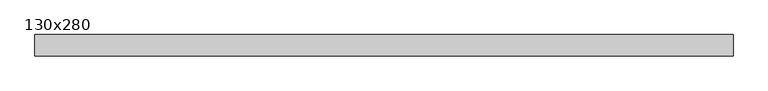
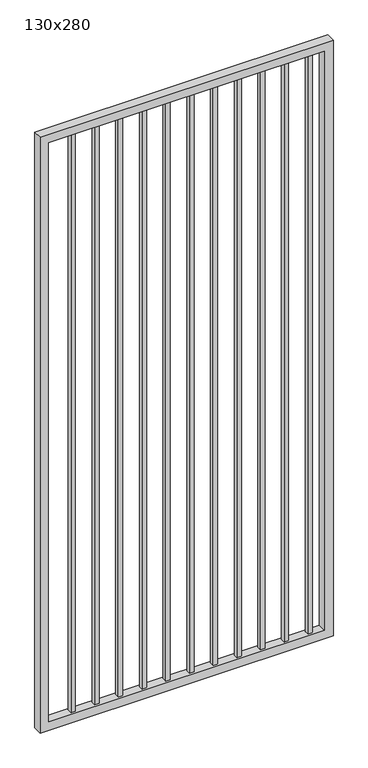
"""IFC4 building model written with IfcOpenShell, lengths in millimetres: proxy geometry, 130x280."""

import ifcopenshell
import ifcopenshell.guid

model = None  # the IFC model being written
_history = None  # IfcOwnerHistory: only IFC2X3 demands one
_inside = {}  # id of a spatial element -> (the spatial element, [elements in it])
_under = {}  # id of a project, library or spatial element -> (it, [spatial elements below it])
_declared = {}  # id of a project -> (the project, [libraries it declares])
_typed = {}  # id of a type object -> (the type object, [elements of that type])
_made_of = {}  # id of a material, layer set ... -> (it, [elements and type objects made of it])


def new_model(schema):
    """Start an empty IFC model of exactly this schema.

    Asked for "IFC4X3", IfcOpenShell would pick the latest addendum, in which some entities
    have other attributes; the version numbers below select the first issue.
    IFC2X3 requires an IfcOwnerHistory on every rooted entity: one is made here for all.
    """
    global model, _history
    if schema == "IFC4X3":
        model = ifcopenshell.file(schema_version=(4, 3, 0, 0))
    else:
        model = ifcopenshell.file(schema=schema)
    _inside.clear()
    _under.clear()
    _declared.clear()
    _typed.clear()
    _made_of.clear()
    _history = None
    if model.schema == "IFC2X3":
        org = make("IfcOrganization", Name="unknown")
        user = make(
            "IfcPersonAndOrganization",
            ThePerson=make("IfcPerson", FamilyName="unknown"),
            TheOrganization=org,
        )
        app = make(
            "IfcApplication",
            ApplicationDeveloper=org,
            Version="unknown",
            ApplicationFullName="unknown",
            ApplicationIdentifier="unknown",
        )
        _history = make(
            "IfcOwnerHistory",
            OwningUser=user,
            OwningApplication=app,
            ChangeAction="ADDED",
            CreationDate=0,
        )
    return model


def make(cls, **values):
    """One entity of the class cls with the attributes given. An attribute that is None is left unset."""
    return model.create_entity(
        cls, **{name: value for name, value in values.items() if value is not None}
    )


def rooted(cls, **values):
    """An entity with a GlobalId (a new one), such as an element, a storey or a relation."""
    return make(cls, GlobalId=ifcopenshell.guid.new(), OwnerHistory=_history, **values)


def si_unit(unit_type, name, prefix=None):
    """IfcSIUnit, for example si_unit("LENGTHUNIT", "METRE", prefix="MILLI")."""
    return make("IfcSIUnit", UnitType=unit_type, Prefix=prefix, Name=name)


def assignment(units):
    """IfcUnitAssignment: the units of a project."""
    return None if units is None else make("IfcUnitAssignment", Units=units)


def point(xyz):
    """IfcCartesianPoint."""
    return None if xyz is None else make("IfcCartesianPoint", Coordinates=xyz)


def direction(xyz):
    """IfcDirection."""
    return None if xyz is None else make("IfcDirection", DirectionRatios=xyz)


def frame(location, z_axis=None, x_axis=None):
    """IfcAxis2Placement3D, a coordinate frame: its origin and axes. An axis left out is left unset."""
    return make(
        "IfcAxis2Placement3D",
        Location=point(location),
        Axis=direction(z_axis),
        RefDirection=direction(x_axis),
    )


def origin():
    """The frame at (0, 0, 0) with its axes left unset."""
    return frame((0.0, 0.0, 0.0))


def place(relative_to, where):
    """IfcLocalPlacement: puts the frame where relative to a parent placement (None: the world)."""
    return make(
        "IfcLocalPlacement", PlacementRelTo=relative_to, RelativePlacement=where
    )


def context(
    kind, dimensions, precision=None, world=None, true_north=None, identifier=None
):
    """IfcGeometricRepresentationContext, for example the 3D "Model" context."""
    return make(
        "IfcGeometricRepresentationContext",
        ContextIdentifier=identifier,
        ContextType=kind,
        CoordinateSpaceDimension=dimensions,
        Precision=precision,
        WorldCoordinateSystem=world,
        TrueNorth=true_north,
    )


def project(units=None, contexts=None):
    """IfcProject with its units and contexts."""
    return rooted(
        "IfcProject",
        Name="project",
        RepresentationContexts=contexts,
        UnitsInContext=assignment(units),
    )


def spatial(cls, under=None, at=None, **own):
    """A site, building, storey or space (cls), placed at a placement, below another one or the project."""
    s = rooted(cls, ObjectPlacement=at, **own)
    if under is not None:
        _under.setdefault(under.id(), (under, []))[1].append(s)
    return s


def polyline(points):
    """IfcPolyline through the points."""
    return make("IfcPolyline", Points=[point(p) for p in points])


def outline(outer, holes=None, kind="AREA"):
    """IfcArbitraryClosedProfileDef: a profile drawn as a closed curve; with holes, ...WithVoids."""
    if holes is None:
        return make("IfcArbitraryClosedProfileDef", ProfileType=kind, OuterCurve=outer)
    return make(
        "IfcArbitraryProfileDefWithVoids",
        ProfileType=kind,
        OuterCurve=outer,
        InnerCurves=holes,
    )


def extrude(swept, where, along, depth):
    """IfcExtrudedAreaSolid: the profile swept, set in the frame where, extruded along a direction by depth."""
    return make(
        "IfcExtrudedAreaSolid",
        SweptArea=swept,
        Position=where,
        ExtrudedDirection=direction(along),
        Depth=depth,
    )


def shape(context_of_items, identifier, shape_type, items):
    """IfcShapeRepresentation: the items that make up one representation, for example the "Body"."""
    return make(
        "IfcShapeRepresentation",
        ContextOfItems=context_of_items,
        RepresentationIdentifier=identifier,
        RepresentationType=shape_type,
        Items=items,
    )


def source(mapping_origin, context_of_items, identifier, shape_type, items):
    """IfcRepresentationMap: a shape defined once, which mapped items show again and again."""
    return make(
        "IfcRepresentationMap",
        MappingOrigin=mapping_origin,
        MappedRepresentation=shape(context_of_items, identifier, shape_type, items),
    )


def transform(
    local_origin,
    x_axis=None,
    y_axis=None,
    z_axis=None,
    scale=None,
    scale2=None,
    scale3=None,
    uniform=True,
):
    """IfcCartesianTransformationOperator3D, or its non-uniform kind. x_axis, y_axis, z_axis: its Axis1, 2, 3."""
    if uniform:
        return make(
            "IfcCartesianTransformationOperator3D",
            Axis1=direction(x_axis),
            Axis2=direction(y_axis),
            LocalOrigin=point(local_origin),
            Scale=scale,
            Axis3=direction(z_axis),
        )
    return make(
        "IfcCartesianTransformationOperator3DnonUniform",
        Axis1=direction(x_axis),
        Axis2=direction(y_axis),
        LocalOrigin=point(local_origin),
        Scale=scale,
        Axis3=direction(z_axis),
        Scale2=scale2,
        Scale3=scale3,
    )


def mapped(mapping_source, mapping_target):
    """IfcMappedItem: shows the shape of a source again, moved by a transform."""
    return make(
        "IfcMappedItem", MappingSource=mapping_source, MappingTarget=mapping_target
    )


def made_of(thing, what):
    """Note that an element or type object is made of a material, layer set ...; save() writes the relation."""
    if what is not None:
        _made_of.setdefault(what.id(), (what, []))[1].append(thing)
    return thing


def element(
    cls,
    number,
    at=None,
    inside=None,
    cuts=None,
    type_object=None,
    material=None,
    context=None,
    identifier="Body",
    shape_type=None,
    held_by="IfcProductDefinitionShape",
    body=None,
    shapes=None,
    **own,
):
    """One element of the class cls, such as IfcWall. Its Tag is "e" and its number.

    at: its placement. inside: the storey or other place that contains it. cuts: it is an
    opening in that element (IfcRelVoidsElement). A single representation is given by context,
    identifier, shape_type and body (its items); several are given by shapes. held_by: the class
    of the entity that holds the representations. save() writes the other relations.
    """
    e = rooted(cls, Tag="e%d" % number, ObjectPlacement=at, **own)
    if body is not None:
        shapes = [shape(context, identifier, shape_type, body)]
    if shapes is not None:
        e.Representation = make(held_by, Representations=shapes)
    if inside is not None:
        _inside.setdefault(inside.id(), (inside, []))[1].append(e)
    if cuts is not None:
        rooted(
            "IfcRelVoidsElement", RelatingBuildingElement=cuts, RelatedOpeningElement=e
        )
    if type_object is not None:
        _typed.setdefault(type_object.id(), (type_object, []))[1].append(e)
    return made_of(e, material)


def aggregate(whole, parts):
    """IfcRelAggregates: a whole, such as a stair, and the parts it consists of."""
    return rooted("IfcRelAggregates", RelatingObject=whole, RelatedObjects=parts)


def save(model, path):
    """Write the relations noted so far, then the file.

    IfcRelAggregates (storeys below a building ...), IfcRelContainedInSpatialStructure (elements
    in a storey), IfcRelDefinesByType, IfcRelAssociatesMaterial and IfcRelDeclares: one each for
    every whole, place, type object, material and project.
    """
    for whole, parts in _under.values():
        aggregate(whole, parts)
    for where, things in _inside.values():
        rooted(
            "IfcRelContainedInSpatialStructure",
            RelatedElements=things,
            RelatingStructure=where,
        )
    for kind, things in _typed.values():
        rooted("IfcRelDefinesByType", RelatedObjects=things, RelatingType=kind)
    for what, things in _made_of.values():
        rooted("IfcRelAssociatesMaterial", RelatedObjects=things, RelatingMaterial=what)
    for by, libraries in _declared.values():
        rooted("IfcRelDeclares", RelatingContext=by, RelatedDefinitions=libraries)
    model.write(path)


def proxy_130x280_17dcc4d4(model_context):
    return source(origin(), model_context, "Body", "SweptSolid", [
        extrude(outline(polyline([(1203.325, -9.525), (1184.275, -9.525), (1184.275, 9.525), (1203.325, 9.525), (1203.325, -9.525)])), frame((0.0, 0.0, 139.7), z_axis=(0.0, 0.0, 1.0), x_axis=(1.0, 0.0, 0.0)), (0.0, 0.0, 1.0), 2630.0),
        extrude(outline(polyline([(1101.725, -9.525), (1082.675, -9.525), (1082.675, 9.525), (1101.725, 9.525), (1101.725, -9.525)])), frame((0.0, 0.0, 139.7), z_axis=(0.0, 0.0, 1.0), x_axis=(1.0, 0.0, 0.0)), (0.0, 0.0, 1.0), 2630.0),
        extrude(outline(polyline([(1000.125, -9.525), (981.075, -9.525), (981.075, 9.525), (1000.125, 9.525), (1000.125, -9.525)])), frame((0.0, 0.0, 139.7), z_axis=(0.0, 0.0, 1.0), x_axis=(1.0, 0.0, 0.0)), (0.0, 0.0, 1.0), 2630.0),
        extrude(outline(polyline([(898.525, -9.525), (879.475, -9.525), (879.475, 9.525), (898.525, 9.525), (898.525, -9.525)])), frame((0.0, 0.0, 139.7), z_axis=(0.0, 0.0, 1.0), x_axis=(1.0, 0.0, 0.0)), (0.0, 0.0, 1.0), 2630.0),
        extrude(outline(polyline([(796.925, -9.525), (777.875, -9.525), (777.875, 9.525), (796.925, 9.525), (796.925, -9.525)])), frame((0.0, 0.0, 139.7), z_axis=(0.0, 0.0, 1.0), x_axis=(1.0, 0.0, 0.0)), (0.0, 0.0, 1.0), 2630.0),
        extrude(outline(polyline([(695.325, -9.525), (676.275, -9.525), (676.275, 9.525), (695.325, 9.525), (695.325, -9.525)])), frame((0.0, 0.0, 139.7), z_axis=(0.0, 0.0, 1.0), x_axis=(1.0, 0.0, 0.0)), (0.0, 0.0, 1.0), 2630.0),
        extrude(outline(polyline([(593.725, -9.525), (574.675, -9.525), (574.675, 9.525), (593.725, 9.525), (593.725, -9.525)])), frame((0.0, 0.0, 139.7), z_axis=(0.0, 0.0, 1.0), x_axis=(1.0, 0.0, 0.0)), (0.0, 0.0, 1.0), 2630.0),
        extrude(outline(polyline([(492.125, -9.525), (473.075, -9.525), (473.075, 9.525), (492.125, 9.525), (492.125, -9.525)])), frame((0.0, 0.0, 139.7), z_axis=(0.0, 0.0, 1.0), x_axis=(1.0, 0.0, 0.0)), (0.0, 0.0, 1.0), 2630.0),
        extrude(outline(polyline([(390.525, -9.525), (371.475, -9.525), (371.475, 9.525), (390.525, 9.525), (390.525, -9.525)])), frame((0.0, 0.0, 139.7), z_axis=(0.0, 0.0, 1.0), x_axis=(1.0, 0.0, 0.0)), (0.0, 0.0, 1.0), 2630.0),
        extrude(outline(polyline([(288.925, -9.525), (269.875, -9.525), (269.875, 9.525), (288.925, 9.525), (288.925, -9.525)])), frame((0.0, 0.0, 139.7), z_axis=(0.0, 0.0, 1.0), x_axis=(1.0, 0.0, 0.0)), (0.0, 0.0, 1.0), 2630.0),
        extrude(outline(polyline([(187.325, -9.525), (168.275, -9.525), (168.275, 9.525), (187.325, 9.525), (187.325, -9.525)])), frame((0.0, 0.0, 139.7), z_axis=(0.0, 0.0, 1.0), x_axis=(1.0, 0.0, 0.0)), (0.0, 0.0, 1.0), 2630.0),
        extrude(outline(polyline([(2800.0, 1287.3), (2800.0, 30.0), (101.6, 30.0), (101.6, 1287.3), (2800.0, 1287.3)]), holes=[polyline([(139.7, 1249.2), (139.7, 68.1), (2761.9, 68.1), (2761.9, 1249.2), (139.7, 1249.2)])]), frame((0.0, -19.05, 0.0), z_axis=(0.0, 1.0, 0.0), x_axis=(0.0, 0.0, 1.0)), (0.0, 0.0, 1.0), 38.1),
    ])


if __name__ == "__main__":
    model = new_model("IFC4")
    model_context = context("Model", 3, world=origin())
    ifc_project = project(units=[si_unit("LENGTHUNIT", "METRE", prefix="MILLI")], contexts=[model_context])
    site = spatial("IfcSite", under=ifc_project)
    building = spatial("IfcBuilding", under=site)
    placement = place(None, origin())
    proxy_130x280_shape = proxy_130x280_17dcc4d4(model_context)
    element("IfcBuildingElementProxy", 1, Name="130x280", ObjectType="130x280", at=placement, inside=building, context=model_context, shape_type="MappedRepresentation", body=[
        mapped(proxy_130x280_shape, transform((0.0, 0.0, 0.0), x_axis=(1.0, 0.0, 0.0), y_axis=(0.0, 1.0, 0.0), z_axis=(0.0, 0.0, 1.0))),
    ])
    save(model, "model.ifc")
